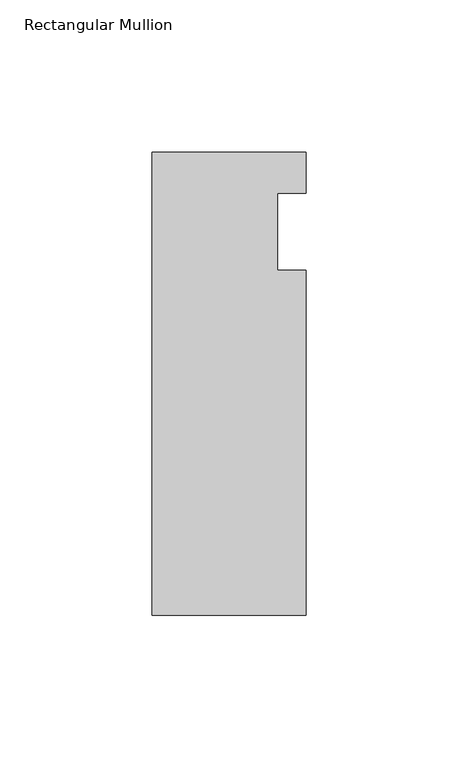
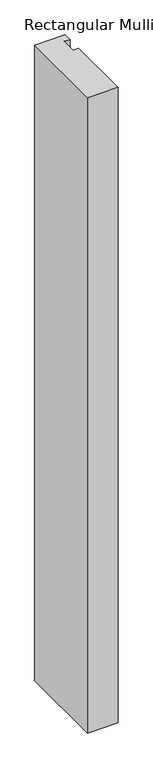
"""IFC4 building model written with IfcOpenShell, lengths in millimetres: member geometry, Rectangular Mullion."""

from ifc_helpers import new_model, si_unit, frame, origin, place, context, project, spatial, polyline, outline, extrude, source, transform, mapped, element, save


def rectangular_mullion_c1ffe08e(model_context):
    return source(origin(), model_context, "Body", "SweptSolid", [
        extrude(outline(polyline([(-25.4, 26.19375), (25.4, 26.19375), (25.4, 12.7), (15.875, 12.7), (15.875, -12.7), (25.4, -12.7), (25.4, -126.20625), (-25.4, -126.20625), (-25.4, 26.19375)])), frame((0.0, 0.0, -1117.6), z_axis=(0.0, 0.0, 1.0), x_axis=(1.0, 0.0, 0.0)), (0.0, 0.0, 1.0), 1117.6),
    ])


if __name__ == "__main__":
    model = new_model("IFC4")
    model_context = context("Model", 3, world=origin())
    ifc_project = project(units=[si_unit("LENGTHUNIT", "METRE", prefix="MILLI")], contexts=[model_context])
    site = spatial("IfcSite", under=ifc_project)
    building = spatial("IfcBuilding", under=site)
    placement = place(None, origin())
    rectangular_mullion_shape = rectangular_mullion_c1ffe08e(model_context)
    element("IfcMember", 1, ObjectType="Rectangular Mullion", at=placement, inside=building, context=model_context, shape_type="MappedRepresentation", body=[
        mapped(rectangular_mullion_shape, transform((0.0, 0.0, 0.0), x_axis=(1.0, 0.0, 0.0), y_axis=(0.0, 1.0, 0.0), z_axis=(0.0, 0.0, 1.0))),
    ])
    save(model, "model.ifc")
